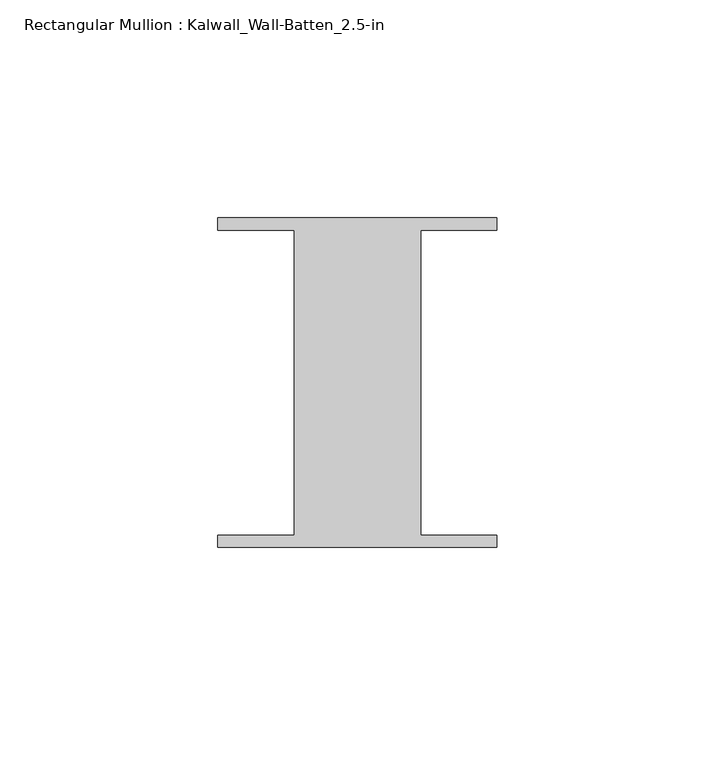
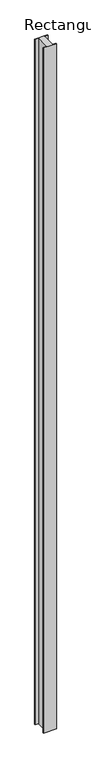
"""IFC4 building model written with IfcOpenShell, lengths in millimetres: member geometry, Rectangular Mullion : Kalwall_Wall-Batten_2.5-in."""

from ifc_helpers import new_model, si_unit, frame, origin, place, context, project, spatial, polyline, outline, extrude, source, transform, mapped, element, save


def rectangular_mullion_kalwall_wall_batten_2_5_in_9f7916b9(model_context):
    return source(origin(), model_context, "Body", "SweptSolid", [
        extrude(outline(polyline([(-32.0, 36.524), (32.0, 36.524), (32.0, 33.73), (14.5, 33.73), (14.5, -36.27), (32.0, -36.27), (32.0, -39.064), (-32.0, -39.064), (-32.0, -36.27), (-14.5, -36.27), (-14.5, 33.73), (-32.0, 33.73), (-32.0, 36.524)])), frame((0.0, 0.0, -3606.8), z_axis=(0.0, 0.0, 1.0), x_axis=(1.0, 0.0, 0.0)), (0.0, 0.0, 1.0), 3606.8),
    ])


if __name__ == "__main__":
    model = new_model("IFC4")
    model_context = context("Model", 3, world=origin())
    ifc_project = project(units=[si_unit("LENGTHUNIT", "METRE", prefix="MILLI")], contexts=[model_context])
    site = spatial("IfcSite", under=ifc_project)
    building = spatial("IfcBuilding", under=site)
    placement = place(None, origin())
    rectangular_mullion_kalwall_wall_batten_2_5_in_shape = rectangular_mullion_kalwall_wall_batten_2_5_in_9f7916b9(model_context)
    element("IfcMember", 1, ObjectType="Rectangular Mullion : Kalwall_Wall-Batten_2.5-in", at=placement, inside=building, context=model_context, shape_type="MappedRepresentation", body=[
        mapped(rectangular_mullion_kalwall_wall_batten_2_5_in_shape, transform((0.0, 0.0, 0.0), x_axis=(1.0, 0.0, 0.0), y_axis=(0.0, 1.0, 0.0), z_axis=(0.0, 0.0, 1.0))),
    ])
    save(model, "model.ifc")
